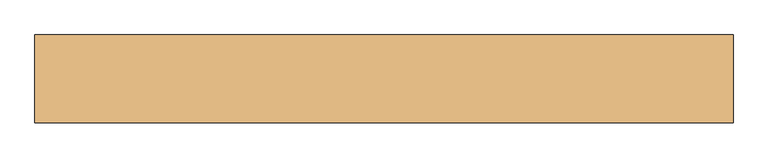
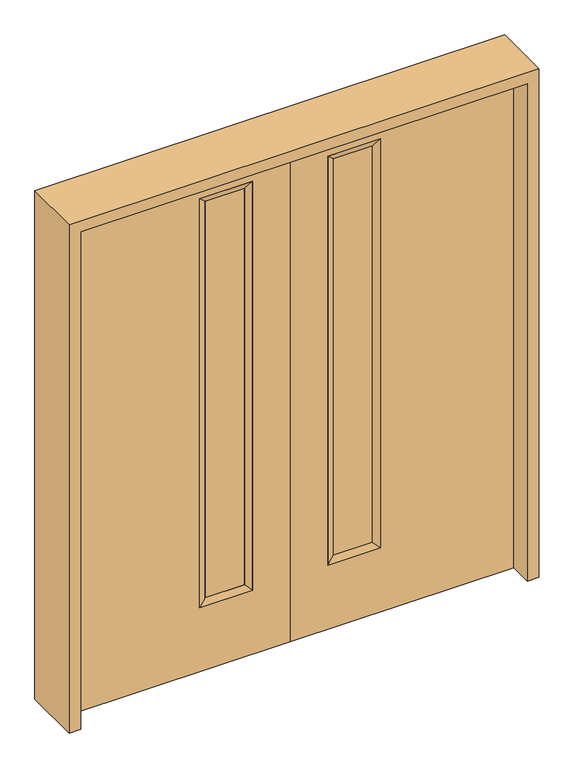
"""IFC4 building model written with IfcOpenShell, lengths in millimetres: door geometry."""

from ifc_helpers import new_model, si_unit, frame, origin, place, context, project, spatial, polyline, outline, extrude, faceted_brep, source, transform, mapped, element, save


def door_47a0aded(model_context):
    return source(origin(), model_context, "Body", "SolidModel", [
        faceted_brep([(-349.25, 22.225, 1930.4), (-349.25, 22.225, 260.35), (-349.25, -22.225, 260.35), (-349.25, -22.225, 1930.4), (-323.85, -12.7039749, 285.75), (-323.85, -12.7039749, 1905.0), (-146.05, 22.225, 260.35), (-146.05, -22.225, 260.35), (-323.85, 14.2875, 1905.0), (-323.85, 14.2875, 285.75), (-171.45, -12.7039749, 285.75), (-171.45, 14.2875, 285.75), (-146.05, 22.225, 1930.4), (-146.05, -22.225, 1930.4), (-171.45, -12.7039749, 1905.0), (-171.45, 14.2875, 1905.0)], [[[0, 1, 2, 3]], [[3, 2, 4, 5]], [[1, 6, 7, 2]], [[8, 9, 1, 0]], [[5, 4, 9, 8]], [[4, 10, 11, 9]], [[2, 7, 10, 4]], [[6, 12, 13, 7]], [[9, 11, 6, 1]], [[10, 14, 15, 11]], [[7, 13, 14, 10]], [[11, 15, 12, 6]], [[12, 0, 3, 13]], [[14, 5, 8, 15]], [[13, 3, 5, 14]], [[15, 8, 0, 12]]]),
        extrude(outline(polyline([(2032.0, 0.0), (2032.0, -863.6), (0.0, -863.6), (0.0, 0.0), (2032.0, 0.0)]), holes=[polyline([(1930.4, -349.25), (1930.4, -146.05), (260.35, -146.05), (260.35, -349.25), (1930.4, -349.25)])]), frame((0.0, -22.225, 0.0), z_axis=(0.0, 1.0, 0.0), x_axis=(0.0, 0.0, 1.0)), (0.0, 0.0, 1.0), 44.45),
        extrude(outline(polyline([(-323.85, -12.7039749), (-323.85, 14.2875), (-171.45, 14.2875), (-171.45, -12.7039749), (-323.85, -12.7039749)])), frame((0.0, 0.0, 285.75), z_axis=(0.0, 0.0, 1.0), x_axis=(1.0, 0.0, 0.0)), (0.0, 0.0, 1.0), 1619.25),
        faceted_brep([(349.25, 22.225, 1930.4), (349.25, -22.225, 1930.4), (349.25, -22.225, 260.35), (349.25, 22.225, 260.35), (323.85, -12.7039749, 1905.0), (323.85, -12.7039749, 285.75), (146.05, -22.225, 260.35), (146.05, 22.225, 260.35), (323.85, 14.2875, 1905.0), (323.85, 14.2875, 285.75), (171.45, 14.2875, 285.75), (171.45, -12.7039749, 285.75), (146.05, -22.225, 1930.4), (146.05, 22.225, 1930.4), (171.45, 14.2875, 1905.0), (171.45, -12.7039749, 1905.0)], [[[0, 1, 2, 3]], [[1, 4, 5, 2]], [[3, 2, 6, 7]], [[8, 0, 3, 9]], [[4, 8, 9, 5]], [[5, 9, 10, 11]], [[2, 5, 11, 6]], [[7, 6, 12, 13]], [[9, 3, 7, 10]], [[11, 10, 14, 15]], [[6, 11, 15, 12]], [[10, 7, 13, 14]], [[13, 12, 1, 0]], [[15, 14, 8, 4]], [[12, 15, 4, 1]], [[14, 13, 0, 8]]]),
        extrude(outline(polyline([(2032.0, 0.0), (0.0, 0.0), (0.0, 863.6), (2032.0, 863.6), (2032.0, 0.0)]), holes=[polyline([(1930.4, 349.25), (260.35, 349.25), (260.35, 146.05), (1930.4, 146.05), (1930.4, 349.25)])]), frame((0.0, -22.225, 0.0), z_axis=(0.0, 1.0, 0.0), x_axis=(0.0, 0.0, 1.0)), (0.0, 0.0, 1.0), 44.45),
        extrude(outline(polyline([(323.85, -12.7039749), (171.45, -12.7039749), (171.45, 14.2875), (323.85, 14.2875), (323.85, -12.7039749)])), frame((0.0, 0.0, 285.75), z_axis=(0.0, 0.0, 1.0), x_axis=(1.0, 0.0, 0.0)), (0.0, 0.0, 1.0), 1619.25),
        extrude(outline(polyline([(0.0, 863.6), (0.0, 908.05), (2076.45, 908.05), (2076.45, -908.05), (0.0, -908.05), (0.0, -863.6), (2032.0, -863.6), (2032.0, 863.6), (0.0, 863.6)])), frame((0.0, -114.3, 0.0), z_axis=(0.0, 1.0, 0.0), x_axis=(0.0, 0.0, 1.0)), (0.0, 0.0, 1.0), 228.6),
    ])


if __name__ == "__main__":
    model = new_model("IFC4")
    model_context = context("Model", 3, world=origin())
    ifc_project = project(units=[si_unit("LENGTHUNIT", "METRE", prefix="MILLI")], contexts=[model_context])
    site = spatial("IfcSite", under=ifc_project)
    building = spatial("IfcBuilding", under=site)
    placement = place(None, origin())
    door_shape = door_47a0aded(model_context)
    element("IfcDoor", 1, at=placement, inside=building, context=model_context, shape_type="MappedRepresentation", body=[
        mapped(door_shape, transform((0.0, 0.0, 0.0), x_axis=(1.0, 0.0, 0.0), y_axis=(0.0, 1.0, 0.0), z_axis=(0.0, 0.0, 1.0))),
    ])
    save(model, "model.ifc")
